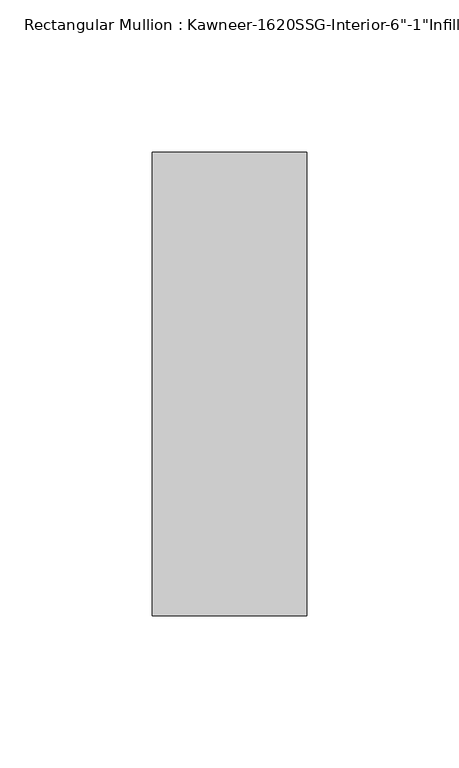
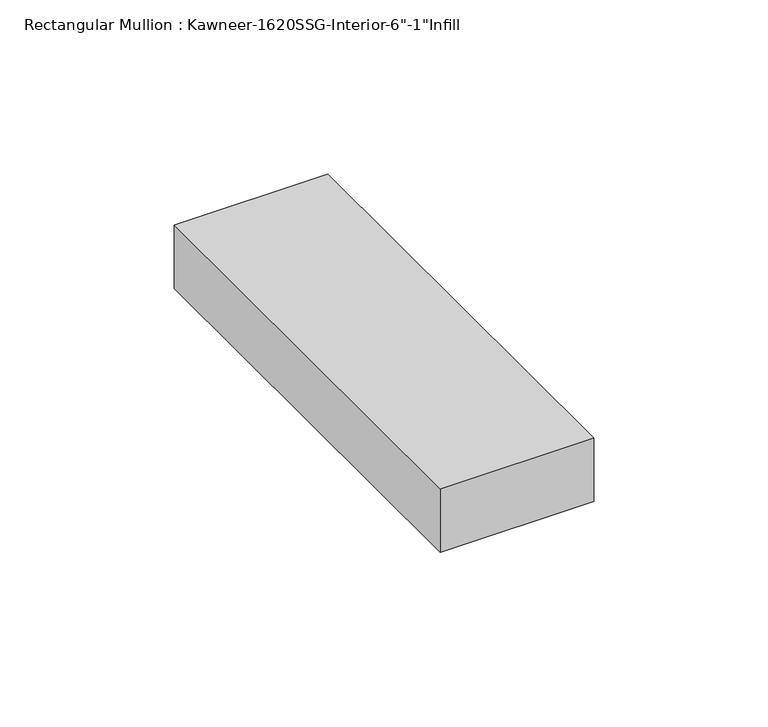
"""IFC4 building model written with IfcOpenShell, lengths in millimetres: member geometry."""

from ifc_helpers import new_model, si_unit, frame, origin, place, context, project, spatial, polyline, outline, extrude, source, transform, mapped, element, save


def member_05945fdb(model_context):
    return source(origin(), model_context, "Body", "SweptSolid", [
        extrude(outline(polyline([(25.4, -114.3), (-25.4, -114.3), (-25.4, 38.1), (25.4, 38.1), (25.4, -114.3)])), frame((0.0, 0.0, -22.225), z_axis=(0.0, 0.0, 1.0), x_axis=(1.0, 0.0, 0.0)), (0.0, 0.0, 1.0), 22.225),
    ])


if __name__ == "__main__":
    model = new_model("IFC4")
    model_context = context("Model", 3, world=origin())
    ifc_project = project(units=[si_unit("LENGTHUNIT", "METRE", prefix="MILLI")], contexts=[model_context])
    site = spatial("IfcSite", under=ifc_project)
    building = spatial("IfcBuilding", under=site)
    placement = place(None, origin())
    member_shape = member_05945fdb(model_context)
    element("IfcMember", 1, ObjectType="Rectangular Mullion : Kawneer-1620SSG-Interior-6\"-1\"Infill", at=placement, inside=building, context=model_context, shape_type="MappedRepresentation", body=[
        mapped(member_shape, transform((0.0, 0.0, 0.0), x_axis=(1.0, 0.0, 0.0), y_axis=(0.0, 1.0, 0.0), z_axis=(0.0, 0.0, 1.0))),
    ])
    save(model, "model.ifc")
